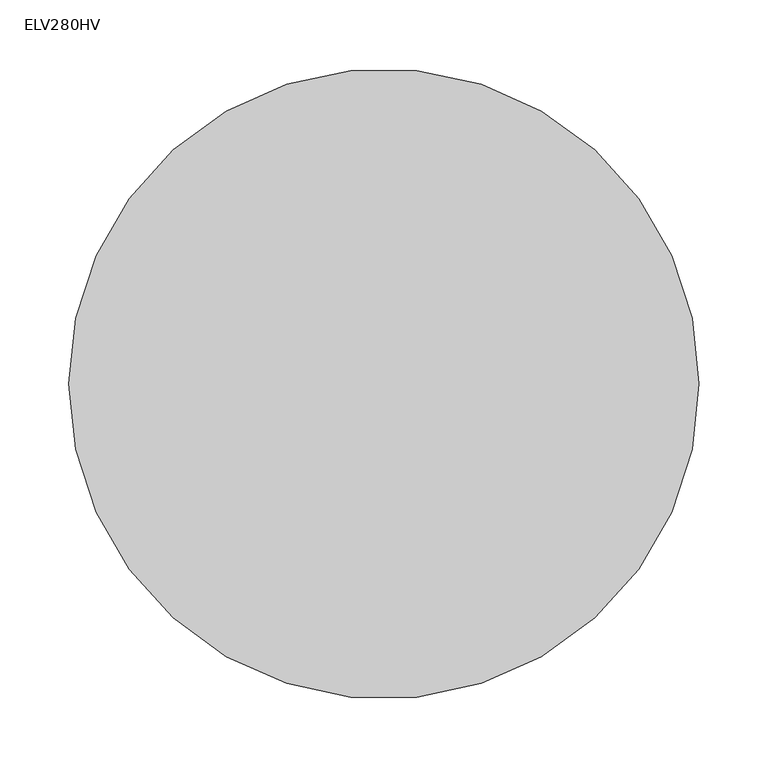
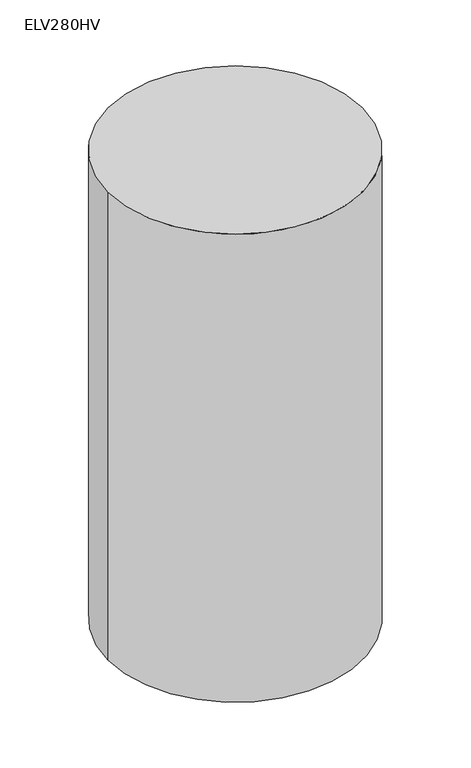
"""IFC4 building model written with IfcOpenShell, lengths in millimetres: proxy geometry, ELV280HV."""

from ifc_helpers import new_model, si_unit, point, frame, frame_2d, origin, origin_with_axes, place, context, project, spatial, polyline, circle_curve, trimmed, segment, composite_curve, outline, extrude, source, transform, mapped, element, save
from ifc_brep_helpers import plane_surface, revolved_surface, advanced_brep


def elv280hv_71b66f3c(model_context):
    return source(origin(), model_context, "Body", "SolidModel", [
        extrude(outline(composite_curve([segment(trimmed(circle_curve(frame_2d((-0.0176288, 0.0088555)), 78.7952259), [point((22.9189747, 75.3918764))], [point((-0.0176288, 78.8040814))], True, "CARTESIAN"), True, "CONTINUOUS"), segment(polyline([(-0.0176288, 78.8040814), (-0.0176288, 84.9909044)]), True, "CONTINUOUS"), segment(trimmed(circle_curve(frame_2d((-0.0176288, 0.0088555)), 84.9820489), [point((-0.0176288, 84.9909044))], [point((24.7199049, 81.3107808))], False, "CARTESIAN"), True, "CONTINUOUS"), segment(polyline([(24.7199049, 81.3107808), (22.9189747, 75.3918764)]), True, "CONTINUOUS")], self_intersect=False)), origin_with_axes(), (0.0, 0.0, 1.0), 80.7646107),
        extrude(outline(composite_curve([segment(trimmed(circle_curve(frame_2d((-0.0176288, 0.0088555)), 78.7952259), [point((-71.3857142, -33.3870128))], [point((-58.5738932, -52.7154418))], True, "CARTESIAN"), True, "CONTINUOUS"), segment(polyline([(-58.5738932, -52.7154418), (-63.1715987, -56.8552344)]), True, "CONTINUOUS"), segment(trimmed(circle_curve(frame_2d((-0.0176288, 0.0088555)), 84.9820489), [point((-63.1715987, -56.8552344))], [point((-76.9893749, -36.0091809))], False, "CARTESIAN"), True, "CONTINUOUS"), segment(polyline([(-76.9893749, -36.0091809), (-71.3857142, -33.3870128)]), True, "CONTINUOUS")], self_intersect=False)), origin_with_axes(), (0.0, 0.0, 1.0), 80.7646107),
        extrude(outline(composite_curve([segment(trimmed(circle_curve(frame_2d((128.5698712, -98.7101568)), 2.286), [point((130.8558712, -98.7101568))], [point((126.2838712, -98.7101568))], False, "CARTESIAN"), True, "CONTINUOUS"), segment(trimmed(circle_curve(frame_2d((128.5698712, -98.7101568)), 2.286), [point((126.2838712, -98.7101568))], [point((130.8558712, -98.7101568))], False, "CARTESIAN"), True, "CONTINUOUS")], self_intersect=False)), frame((0.0, 0.0, 344.106868), z_axis=(0.0, 0.0, 1.0), x_axis=(1.0, 0.0, 0.0)), (0.0, 0.0, 1.0), 196.3146856),
        extrude(outline(composite_curve([segment(trimmed(circle_curve(frame_2d((95.2323712, -103.3954368)), 2.286), [point((97.5183712, -103.3954368))], [point((92.9463712, -103.3954368))], False, "CARTESIAN"), True, "CONTINUOUS"), segment(trimmed(circle_curve(frame_2d((95.2323712, -103.3954368)), 2.286), [point((92.9463712, -103.3954368))], [point((97.5183712, -103.3954368))], False, "CARTESIAN"), True, "CONTINUOUS")], self_intersect=False)), frame((0.0, 0.0, 503.74544), z_axis=(0.0, 0.0, 1.0), x_axis=(1.0, 0.0, 0.0)), (0.0, 0.0, 1.0), 36.6761136),
        extrude(outline(composite_curve([segment(trimmed(circle_curve(frame_2d((63.4823712, -107.8576083)), 2.286), [point((65.7683712, -107.8576083))], [point((61.1963712, -107.8576083))], False, "CARTESIAN"), True, "CONTINUOUS"), segment(trimmed(circle_curve(frame_2d((63.4823712, -107.8576083)), 2.286), [point((61.1963712, -107.8576083))], [point((65.7683712, -107.8576083))], False, "CARTESIAN"), True, "CONTINUOUS")], self_intersect=False)), frame((0.0, 0.0, 511.6333665), z_axis=(0.0, 0.0, 1.0), x_axis=(1.0, 0.0, 0.0)), (0.0, 0.0, 1.0), 28.7881872),
        extrude(outline(composite_curve([segment(trimmed(circle_curve(frame_2d((63.4823712, -107.8576083)), 10.16), [point((63.4823712, -118.0176083))], [point((63.4823712, -97.6976083))], False, "CARTESIAN"), True, "CONTINUOUS"), segment(trimmed(circle_curve(frame_2d((63.4823712, -107.8576083)), 10.16), [point((63.4823712, -97.6976083))], [point((63.4823712, -118.0176083))], False, "CARTESIAN"), True, "CONTINUOUS")], self_intersect=False)), frame((0.0, 0.0, 540.4215536), z_axis=(0.0, 0.0, 1.0), x_axis=(1.0, 0.0, 0.0)), (0.0, 0.0, 1.0), 22.3007896),
        extrude(outline(composite_curve([segment(trimmed(circle_curve(frame_2d((95.2323712, -103.3954368)), 10.16), [point((95.2323712, -113.5554368))], [point((95.2323712, -93.2354368))], False, "CARTESIAN"), True, "CONTINUOUS"), segment(trimmed(circle_curve(frame_2d((95.2323712, -103.3954368)), 10.16), [point((95.2323712, -93.2354368))], [point((95.2323712, -113.5554368))], False, "CARTESIAN"), True, "CONTINUOUS")], self_intersect=False)), frame((0.0, 0.0, 540.4215536), z_axis=(0.0, 0.0, 1.0), x_axis=(1.0, 0.0, 0.0)), (0.0, 0.0, 1.0), 22.3007896),
        extrude(outline(composite_curve([segment(trimmed(circle_curve(frame_2d((128.5698712, -98.7101568)), 10.16), [point((128.5698712, -108.8701568))], [point((128.5698712, -88.5501568))], False, "CARTESIAN"), True, "CONTINUOUS"), segment(trimmed(circle_curve(frame_2d((128.5698712, -98.7101568)), 10.16), [point((128.5698712, -88.5501568))], [point((128.5698712, -108.8701568))], False, "CARTESIAN"), True, "CONTINUOUS")], self_intersect=False)), frame((0.0, 0.0, 540.4215536), z_axis=(0.0, 0.0, 1.0), x_axis=(1.0, 0.0, 0.0)), (0.0, 0.0, 1.0), 22.3007896),
        extrude(outline(polyline([(46.8100368, -129.4379674), (41.5075416, -91.708754), (150.6979988, -76.363036), (156.000494, -114.0922494), (46.8100368, -129.4379674)])), frame((0.0, 0.0, 562.7223432), z_axis=(0.0, 0.0, 1.0), x_axis=(1.0, 0.0, 0.0)), (0.0, 0.0, 1.0), 75.2691681),
        extrude(outline(composite_curve([segment(trimmed(circle_curve(frame_2d((88.8823712, -52.0497394)), 25.4), [point((63.4823712, -52.0497394))], [point((114.2823712, -52.0497394))], False, "CARTESIAN"), True, "CONTINUOUS"), segment(trimmed(circle_curve(frame_2d((88.8823712, -52.0497394)), 25.4), [point((114.2823712, -52.0497394))], [point((63.4823712, -52.0497394))], False, "CARTESIAN"), True, "CONTINUOUS")], self_intersect=False)), frame((0.0, 0.0, 87.8333863), z_axis=(0.0, 0.0, 1.0), x_axis=(1.0, 0.0, 0.0)), (0.0, 0.0, 1.0), 550.1581251),
        advanced_brep(
        [(56.6243712, -52.0497394, 87.8333863), (121.1403712, -52.0497394, 87.8333863), (81.0083712, -52.0497394, 0.0), (96.7563712, -52.0497394, 0.0)],
        [
            (0, 1, circle_curve(frame((88.8823712, -52.0497394, 87.8333863), z_axis=(0.0, 0.0, 1.0), x_axis=(-1.0, 0.0, 0.0)), 32.258)),
            (1, 0, circle_curve(frame((88.8823712, -52.0497394, 87.8333863), z_axis=(0.0, 0.0, 1.0), x_axis=(1.0, 0.0, 0.0)), 32.258)),
            (2, 3, circle_curve(frame((88.8823712, -52.0497394, 0.0), z_axis=(0.0, 0.0, -1.0), x_axis=(1.0, 0.0, 0.0)), 7.874)),
            (3, 2, circle_curve(frame((88.8823712, -52.0497394, 0.0), z_axis=(0.0, 0.0, -1.0), x_axis=(-1.0, 0.0, 0.0)), 7.874)),
            (3, 1),
            (0, 2),
        ],
        [
            plane_surface(frame((88.8823712, -52.0497394, 87.8333863), z_axis=(0.0, 0.0, 1.0), x_axis=(0.0, -1.0, 0.0))),
            plane_surface(frame((88.8823712, -52.0497394, 0.0), z_axis=(0.0, 0.0, -1.0), x_axis=(0.0, -1.0, 0.0))),
            revolved_surface(polyline([(96.7563711945351, -52.0497394, 0.0), (121.1403712, -52.0497394, 87.8333863)]), (88.8823712, -52.0497394, -28.3628643), (0.0, 0.0, 1.0)),
            revolved_surface(polyline([(81.00837120546488, -52.0497394, 0.0), (56.6243712, -52.0497394, 87.8333863)]), (88.8823712, -52.0497394, -28.3628643), (0.0, 0.0, 1.0)),
        ],
        [
            (0, [[1, 2]]),
            (1, [[3, 4]]),
            (2, [[-4, 5, -1, 6]]),
            (3, [[-3, -6, -2, -5]]),
        ],
    ),
        extrude(outline(composite_curve([segment(trimmed(circle_curve(frame_2d((-0.0176288, 0.0088555)), 71.374), [point((-71.3916288, 0.0088555))], [point((71.3563712, 0.0088555))], False, "CARTESIAN"), True, "CONTINUOUS"), segment(trimmed(circle_curve(frame_2d((-0.0176288, 0.0088555)), 71.374), [point((71.3563712, 0.0088555))], [point((-71.3916288, 0.0088555))], False, "CARTESIAN"), True, "CONTINUOUS")], self_intersect=False)), frame((0.0, 0.0, 269.8843209), z_axis=(0.0, 0.0, 1.0), x_axis=(1.0, 0.0, 0.0)), (0.0, 0.0, 1.0), 25.5971226),
        extrude(outline(composite_curve([segment(trimmed(circle_curve(frame_2d((-0.0176288, 0.0088555)), 66.04), [point((-66.0576288, 0.0088555))], [point((66.0223712, 0.0088555))], False, "CARTESIAN"), True, "CONTINUOUS"), segment(trimmed(circle_curve(frame_2d((-0.0176288, 0.0088555)), 66.04), [point((66.0223712, 0.0088555))], [point((-66.0576288, 0.0088555))], False, "CARTESIAN"), True, "CONTINUOUS")], self_intersect=False)), frame((0.0, 0.0, 80.7646107), z_axis=(0.0, 0.0, 1.0), x_axis=(1.0, 0.0, 0.0)), (0.0, 0.0, 1.0), 189.1197102),
        extrude(outline(composite_curve([segment(trimmed(circle_curve(frame_2d((-0.0176288, 0.0088555)), 78.7952259), [point((-78.8128547, 0.0088555))], [point((78.7775971, 0.0088555))], False, "CARTESIAN"), True, "CONTINUOUS"), segment(trimmed(circle_curve(frame_2d((-0.0176288, 0.0088555)), 78.7952259), [point((78.7775971, 0.0088555))], [point((-78.8128547, 0.0088555))], False, "CARTESIAN"), True, "CONTINUOUS")], self_intersect=False)), frame((0.0, 0.0, 33.7458332), z_axis=(0.0, 0.0, 1.0), x_axis=(1.0, 0.0, 0.0)), (0.0, 0.0, 1.0), 47.0187775),
        extrude(outline(composite_curve([segment(trimmed(circle_curve(frame_2d((-1.6051288, -66.0194271)), 228.6), [point((226.9948712, -66.0194271))], [point((-230.2051288, -66.0194271))], False, "CARTESIAN"), True, "CONTINUOUS"), segment(trimmed(circle_curve(frame_2d((-1.6051288, -66.0194271)), 228.6), [point((-230.2051288, -66.0194271))], [point((226.9948712, -66.0194271))], False, "CARTESIAN"), True, "CONTINUOUS")], self_intersect=False)), origin_with_axes(), (0.0, 0.0, 1.0), 889.0),
    ])


if __name__ == "__main__":
    model = new_model("IFC4")
    model_context = context("Model", 3, world=origin())
    ifc_project = project(units=[si_unit("LENGTHUNIT", "METRE", prefix="MILLI")], contexts=[model_context])
    site = spatial("IfcSite", under=ifc_project)
    building = spatial("IfcBuilding", under=site)
    placement = place(None, origin())
    elv280hv_shape = elv280hv_71b66f3c(model_context)
    element("IfcBuildingElementProxy", 1, Name="ELV280HV", ObjectType="ELV280HV", at=placement, inside=building, context=model_context, shape_type="MappedRepresentation", body=[
        mapped(elv280hv_shape, transform((0.0, 0.0, 0.0), x_axis=(1.0, 0.0, 0.0), y_axis=(0.0, 1.0, 0.0), z_axis=(0.0, 0.0, 1.0))),
    ])
    save(model, "model.ifc")
